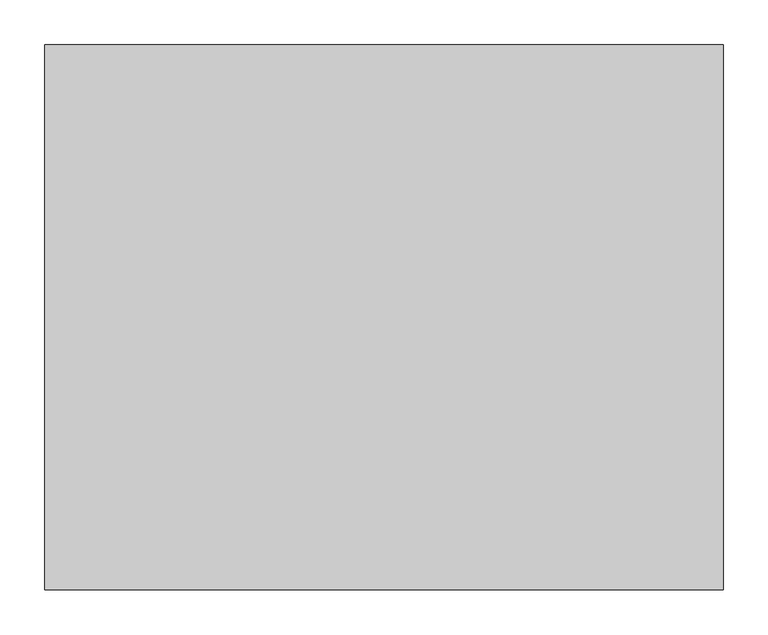
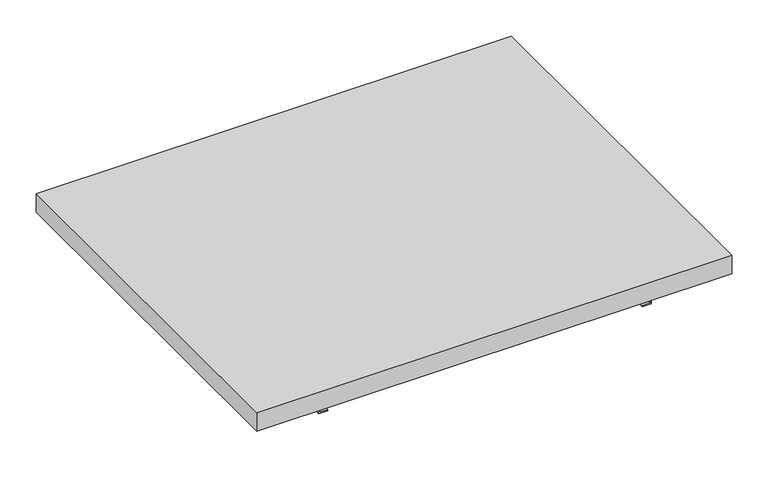
"""IFC4 building model written with IfcOpenShell, lengths in millimetres: furniture geometry."""

import ifcopenshell
import ifcopenshell.guid

model = None  # the IFC model being written
_history = None  # IfcOwnerHistory: only IFC2X3 demands one
_inside = {}  # id of a spatial element -> (the spatial element, [elements in it])
_under = {}  # id of a project, library or spatial element -> (it, [spatial elements below it])
_declared = {}  # id of a project -> (the project, [libraries it declares])
_typed = {}  # id of a type object -> (the type object, [elements of that type])
_made_of = {}  # id of a material, layer set ... -> (it, [elements and type objects made of it])


def new_model(schema):
    """Start an empty IFC model of exactly this schema.

    Asked for "IFC4X3", IfcOpenShell would pick the latest addendum, in which some entities
    have other attributes; the version numbers below select the first issue.
    IFC2X3 requires an IfcOwnerHistory on every rooted entity: one is made here for all.
    """
    global model, _history
    if schema == "IFC4X3":
        model = ifcopenshell.file(schema_version=(4, 3, 0, 0))
    else:
        model = ifcopenshell.file(schema=schema)
    _inside.clear()
    _under.clear()
    _declared.clear()
    _typed.clear()
    _made_of.clear()
    _history = None
    if model.schema == "IFC2X3":
        org = make("IfcOrganization", Name="unknown")
        user = make(
            "IfcPersonAndOrganization",
            ThePerson=make("IfcPerson", FamilyName="unknown"),
            TheOrganization=org,
        )
        app = make(
            "IfcApplication",
            ApplicationDeveloper=org,
            Version="unknown",
            ApplicationFullName="unknown",
            ApplicationIdentifier="unknown",
        )
        _history = make(
            "IfcOwnerHistory",
            OwningUser=user,
            OwningApplication=app,
            ChangeAction="ADDED",
            CreationDate=0,
        )
    return model


def make(cls, **values):
    """One entity of the class cls with the attributes given. An attribute that is None is left unset."""
    return model.create_entity(
        cls, **{name: value for name, value in values.items() if value is not None}
    )


def rooted(cls, **values):
    """An entity with a GlobalId (a new one), such as an element, a storey or a relation."""
    return make(cls, GlobalId=ifcopenshell.guid.new(), OwnerHistory=_history, **values)


def si_unit(unit_type, name, prefix=None):
    """IfcSIUnit, for example si_unit("LENGTHUNIT", "METRE", prefix="MILLI")."""
    return make("IfcSIUnit", UnitType=unit_type, Prefix=prefix, Name=name)


def assignment(units):
    """IfcUnitAssignment: the units of a project."""
    return None if units is None else make("IfcUnitAssignment", Units=units)


def point(xyz):
    """IfcCartesianPoint."""
    return None if xyz is None else make("IfcCartesianPoint", Coordinates=xyz)


def direction(xyz):
    """IfcDirection."""
    return None if xyz is None else make("IfcDirection", DirectionRatios=xyz)


def frame(location, z_axis=None, x_axis=None):
    """IfcAxis2Placement3D, a coordinate frame: its origin and axes. An axis left out is left unset."""
    return make(
        "IfcAxis2Placement3D",
        Location=point(location),
        Axis=direction(z_axis),
        RefDirection=direction(x_axis),
    )


def origin():
    """The frame at (0, 0, 0) with its axes left unset."""
    return frame((0.0, 0.0, 0.0))


def place(relative_to, where):
    """IfcLocalPlacement: puts the frame where relative to a parent placement (None: the world)."""
    return make(
        "IfcLocalPlacement", PlacementRelTo=relative_to, RelativePlacement=where
    )


def context(
    kind, dimensions, precision=None, world=None, true_north=None, identifier=None
):
    """IfcGeometricRepresentationContext, for example the 3D "Model" context."""
    return make(
        "IfcGeometricRepresentationContext",
        ContextIdentifier=identifier,
        ContextType=kind,
        CoordinateSpaceDimension=dimensions,
        Precision=precision,
        WorldCoordinateSystem=world,
        TrueNorth=true_north,
    )


def project(units=None, contexts=None):
    """IfcProject with its units and contexts."""
    return rooted(
        "IfcProject",
        Name="project",
        RepresentationContexts=contexts,
        UnitsInContext=assignment(units),
    )


def spatial(cls, under=None, at=None, **own):
    """A site, building, storey or space (cls), placed at a placement, below another one or the project."""
    s = rooted(cls, ObjectPlacement=at, **own)
    if under is not None:
        _under.setdefault(under.id(), (under, []))[1].append(s)
    return s


def polyline(points):
    """IfcPolyline through the points."""
    return make("IfcPolyline", Points=[point(p) for p in points])


def outline(outer, holes=None, kind="AREA"):
    """IfcArbitraryClosedProfileDef: a profile drawn as a closed curve; with holes, ...WithVoids."""
    if holes is None:
        return make("IfcArbitraryClosedProfileDef", ProfileType=kind, OuterCurve=outer)
    return make(
        "IfcArbitraryProfileDefWithVoids",
        ProfileType=kind,
        OuterCurve=outer,
        InnerCurves=holes,
    )


def extrude(swept, where, along, depth):
    """IfcExtrudedAreaSolid: the profile swept, set in the frame where, extruded along a direction by depth."""
    return make(
        "IfcExtrudedAreaSolid",
        SweptArea=swept,
        Position=where,
        ExtrudedDirection=direction(along),
        Depth=depth,
    )


def shape(context_of_items, identifier, shape_type, items):
    """IfcShapeRepresentation: the items that make up one representation, for example the "Body"."""
    return make(
        "IfcShapeRepresentation",
        ContextOfItems=context_of_items,
        RepresentationIdentifier=identifier,
        RepresentationType=shape_type,
        Items=items,
    )


def source(mapping_origin, context_of_items, identifier, shape_type, items):
    """IfcRepresentationMap: a shape defined once, which mapped items show again and again."""
    return make(
        "IfcRepresentationMap",
        MappingOrigin=mapping_origin,
        MappedRepresentation=shape(context_of_items, identifier, shape_type, items),
    )


def transform(
    local_origin,
    x_axis=None,
    y_axis=None,
    z_axis=None,
    scale=None,
    scale2=None,
    scale3=None,
    uniform=True,
):
    """IfcCartesianTransformationOperator3D, or its non-uniform kind. x_axis, y_axis, z_axis: its Axis1, 2, 3."""
    if uniform:
        return make(
            "IfcCartesianTransformationOperator3D",
            Axis1=direction(x_axis),
            Axis2=direction(y_axis),
            LocalOrigin=point(local_origin),
            Scale=scale,
            Axis3=direction(z_axis),
        )
    return make(
        "IfcCartesianTransformationOperator3DnonUniform",
        Axis1=direction(x_axis),
        Axis2=direction(y_axis),
        LocalOrigin=point(local_origin),
        Scale=scale,
        Axis3=direction(z_axis),
        Scale2=scale2,
        Scale3=scale3,
    )


def mapped(mapping_source, mapping_target):
    """IfcMappedItem: shows the shape of a source again, moved by a transform."""
    return make(
        "IfcMappedItem", MappingSource=mapping_source, MappingTarget=mapping_target
    )


def made_of(thing, what):
    """Note that an element or type object is made of a material, layer set ...; save() writes the relation."""
    if what is not None:
        _made_of.setdefault(what.id(), (what, []))[1].append(thing)
    return thing


def element(
    cls,
    number,
    at=None,
    inside=None,
    cuts=None,
    type_object=None,
    material=None,
    context=None,
    identifier="Body",
    shape_type=None,
    held_by="IfcProductDefinitionShape",
    body=None,
    shapes=None,
    **own,
):
    """One element of the class cls, such as IfcWall. Its Tag is "e" and its number.

    at: its placement. inside: the storey or other place that contains it. cuts: it is an
    opening in that element (IfcRelVoidsElement). A single representation is given by context,
    identifier, shape_type and body (its items); several are given by shapes. held_by: the class
    of the entity that holds the representations. save() writes the other relations.
    """
    e = rooted(cls, Tag="e%d" % number, ObjectPlacement=at, **own)
    if body is not None:
        shapes = [shape(context, identifier, shape_type, body)]
    if shapes is not None:
        e.Representation = make(held_by, Representations=shapes)
    if inside is not None:
        _inside.setdefault(inside.id(), (inside, []))[1].append(e)
    if cuts is not None:
        rooted(
            "IfcRelVoidsElement", RelatingBuildingElement=cuts, RelatedOpeningElement=e
        )
    if type_object is not None:
        _typed.setdefault(type_object.id(), (type_object, []))[1].append(e)
    return made_of(e, material)


def aggregate(whole, parts):
    """IfcRelAggregates: a whole, such as a stair, and the parts it consists of."""
    return rooted("IfcRelAggregates", RelatingObject=whole, RelatedObjects=parts)


def save(model, path):
    """Write the relations noted so far, then the file.

    IfcRelAggregates (storeys below a building ...), IfcRelContainedInSpatialStructure (elements
    in a storey), IfcRelDefinesByType, IfcRelAssociatesMaterial and IfcRelDeclares: one each for
    every whole, place, type object, material and project.
    """
    for whole, parts in _under.values():
        aggregate(whole, parts)
    for where, things in _inside.values():
        rooted(
            "IfcRelContainedInSpatialStructure",
            RelatedElements=things,
            RelatingStructure=where,
        )
    for kind, things in _typed.values():
        rooted("IfcRelDefinesByType", RelatedObjects=things, RelatingType=kind)
    for what, things in _made_of.values():
        rooted("IfcRelAssociatesMaterial", RelatedObjects=things, RelatingMaterial=what)
    for by, libraries in _declared.values():
        rooted("IfcRelDeclares", RelatingContext=by, RelatedDefinitions=libraries)
    model.write(path)


def furniture_5208e770(model_context):
    return source(origin(), model_context, "Body", "SweptSolid", [
        extrude(outline(polyline([(455.6125, 177.8), (455.6125, -431.8), (-303.2125, -431.8), (-303.2125, 177.8), (455.6125, 177.8)])), frame((0.0, 0.0, 1035.05), z_axis=(0.0, 0.0, 1.0), x_axis=(1.0, 0.0, 0.0)), (0.0, 0.0, 1.0), 31.75),
        extrude(outline(polyline([(1011.2375, -187.325), (1035.05, -187.325), (1035.05, -188.9125), (1009.65, -188.9125), (1009.65, -174.625), (1011.2375, -174.625), (1011.2375, -187.325)])), frame((0.0, -406.4, 0.0), z_axis=(0.0, 1.0, 0.0), x_axis=(0.0, 0.0, 1.0)), (0.0, 0.0, 1.0), 390.525),
        extrude(outline(polyline([(1011.2375, 339.725), (1011.2375, 327.025), (1009.65, 327.025), (1009.65, 341.3125), (1035.05, 341.3125), (1035.05, 339.725), (1011.2375, 339.725)])), frame((0.0, -406.4, 0.0), z_axis=(0.0, 1.0, 0.0), x_axis=(0.0, 0.0, 1.0)), (0.0, 0.0, 1.0), 390.525),
    ])


if __name__ == "__main__":
    model = new_model("IFC4")
    model_context = context("Model", 3, world=origin())
    ifc_project = project(units=[si_unit("LENGTHUNIT", "METRE", prefix="MILLI")], contexts=[model_context])
    site = spatial("IfcSite", under=ifc_project)
    building = spatial("IfcBuilding", under=site)
    placement = place(None, origin())
    furniture_shape = furniture_5208e770(model_context)
    element("IfcFurniture", 1, at=placement, inside=building, context=model_context, shape_type="MappedRepresentation", body=[
        mapped(furniture_shape, transform((0.0, 0.0, 0.0), x_axis=(1.0, 0.0, 0.0), y_axis=(0.0, 1.0, 0.0), z_axis=(0.0, 0.0, 1.0))),
    ])
    save(model, "model.ifc")
